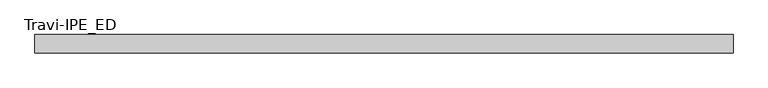
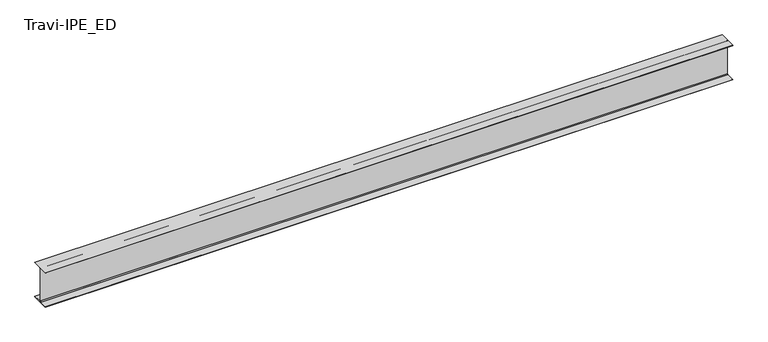
"""IFC4 building model written with IfcOpenShell, lengths in millimetres: beam geometry, Travi-IPE_ED."""

import ifcopenshell
import ifcopenshell.guid

model = None  # the IFC model being written
_history = None  # IfcOwnerHistory: only IFC2X3 demands one
_inside = {}  # id of a spatial element -> (the spatial element, [elements in it])
_under = {}  # id of a project, library or spatial element -> (it, [spatial elements below it])
_declared = {}  # id of a project -> (the project, [libraries it declares])
_typed = {}  # id of a type object -> (the type object, [elements of that type])
_made_of = {}  # id of a material, layer set ... -> (it, [elements and type objects made of it])


def new_model(schema):
    """Start an empty IFC model of exactly this schema.

    Asked for "IFC4X3", IfcOpenShell would pick the latest addendum, in which some entities
    have other attributes; the version numbers below select the first issue.
    IFC2X3 requires an IfcOwnerHistory on every rooted entity: one is made here for all.
    """
    global model, _history
    if schema == "IFC4X3":
        model = ifcopenshell.file(schema_version=(4, 3, 0, 0))
    else:
        model = ifcopenshell.file(schema=schema)
    _inside.clear()
    _under.clear()
    _declared.clear()
    _typed.clear()
    _made_of.clear()
    _history = None
    if model.schema == "IFC2X3":
        org = make("IfcOrganization", Name="unknown")
        user = make(
            "IfcPersonAndOrganization",
            ThePerson=make("IfcPerson", FamilyName="unknown"),
            TheOrganization=org,
        )
        app = make(
            "IfcApplication",
            ApplicationDeveloper=org,
            Version="unknown",
            ApplicationFullName="unknown",
            ApplicationIdentifier="unknown",
        )
        _history = make(
            "IfcOwnerHistory",
            OwningUser=user,
            OwningApplication=app,
            ChangeAction="ADDED",
            CreationDate=0,
        )
    return model


def make(cls, **values):
    """One entity of the class cls with the attributes given. An attribute that is None is left unset."""
    return model.create_entity(
        cls, **{name: value for name, value in values.items() if value is not None}
    )


def rooted(cls, **values):
    """An entity with a GlobalId (a new one), such as an element, a storey or a relation."""
    return make(cls, GlobalId=ifcopenshell.guid.new(), OwnerHistory=_history, **values)


def si_unit(unit_type, name, prefix=None):
    """IfcSIUnit, for example si_unit("LENGTHUNIT", "METRE", prefix="MILLI")."""
    return make("IfcSIUnit", UnitType=unit_type, Prefix=prefix, Name=name)


def assignment(units):
    """IfcUnitAssignment: the units of a project."""
    return None if units is None else make("IfcUnitAssignment", Units=units)


def point(xyz):
    """IfcCartesianPoint."""
    return None if xyz is None else make("IfcCartesianPoint", Coordinates=xyz)


def direction(xyz):
    """IfcDirection."""
    return None if xyz is None else make("IfcDirection", DirectionRatios=xyz)


def frame(location, z_axis=None, x_axis=None):
    """IfcAxis2Placement3D, a coordinate frame: its origin and axes. An axis left out is left unset."""
    return make(
        "IfcAxis2Placement3D",
        Location=point(location),
        Axis=direction(z_axis),
        RefDirection=direction(x_axis),
    )


def frame_2d(location, x_axis=None):
    """IfcAxis2Placement2D, a coordinate frame in the plane: its origin and x axis."""
    return make(
        "IfcAxis2Placement2D", Location=point(location), RefDirection=direction(x_axis)
    )


def origin():
    """The frame at (0, 0, 0) with its axes left unset."""
    return frame((0.0, 0.0, 0.0))


def place(relative_to, where):
    """IfcLocalPlacement: puts the frame where relative to a parent placement (None: the world)."""
    return make(
        "IfcLocalPlacement", PlacementRelTo=relative_to, RelativePlacement=where
    )


def context(
    kind, dimensions, precision=None, world=None, true_north=None, identifier=None
):
    """IfcGeometricRepresentationContext, for example the 3D "Model" context."""
    return make(
        "IfcGeometricRepresentationContext",
        ContextIdentifier=identifier,
        ContextType=kind,
        CoordinateSpaceDimension=dimensions,
        Precision=precision,
        WorldCoordinateSystem=world,
        TrueNorth=true_north,
    )


def project(units=None, contexts=None):
    """IfcProject with its units and contexts."""
    return rooted(
        "IfcProject",
        Name="project",
        RepresentationContexts=contexts,
        UnitsInContext=assignment(units),
    )


def spatial(cls, under=None, at=None, **own):
    """A site, building, storey or space (cls), placed at a placement, below another one or the project."""
    s = rooted(cls, ObjectPlacement=at, **own)
    if under is not None:
        _under.setdefault(under.id(), (under, []))[1].append(s)
    return s


def polyline(points):
    """IfcPolyline through the points."""
    return make("IfcPolyline", Points=[point(p) for p in points])


def circle_curve(where, radius):
    """IfcCircle in the frame where."""
    return make("IfcCircle", Position=where, Radius=radius)


def trimmed(basis, trim1, trim2, sense, master):
    """IfcTrimmedCurve: the piece of a basis curve between two trims."""
    return make(
        "IfcTrimmedCurve",
        BasisCurve=basis,
        Trim1=trim1,
        Trim2=trim2,
        SenseAgreement=sense,
        MasterRepresentation=master,
    )


def segment(curve, same_sense, transition):
    """IfcCompositeCurveSegment."""
    return make(
        "IfcCompositeCurveSegment",
        Transition=transition,
        SameSense=same_sense,
        ParentCurve=curve,
    )


def composite_curve(segments, self_intersect=None):
    """IfcCompositeCurve: segments joined end to end."""
    return make("IfcCompositeCurve", Segments=segments, SelfIntersect=self_intersect)


def outline(outer, holes=None, kind="AREA"):
    """IfcArbitraryClosedProfileDef: a profile drawn as a closed curve; with holes, ...WithVoids."""
    if holes is None:
        return make("IfcArbitraryClosedProfileDef", ProfileType=kind, OuterCurve=outer)
    return make(
        "IfcArbitraryProfileDefWithVoids",
        ProfileType=kind,
        OuterCurve=outer,
        InnerCurves=holes,
    )


def extrude(swept, where, along, depth):
    """IfcExtrudedAreaSolid: the profile swept, set in the frame where, extruded along a direction by depth."""
    return make(
        "IfcExtrudedAreaSolid",
        SweptArea=swept,
        Position=where,
        ExtrudedDirection=direction(along),
        Depth=depth,
    )


def shape(context_of_items, identifier, shape_type, items):
    """IfcShapeRepresentation: the items that make up one representation, for example the "Body"."""
    return make(
        "IfcShapeRepresentation",
        ContextOfItems=context_of_items,
        RepresentationIdentifier=identifier,
        RepresentationType=shape_type,
        Items=items,
    )


def source(mapping_origin, context_of_items, identifier, shape_type, items):
    """IfcRepresentationMap: a shape defined once, which mapped items show again and again."""
    return make(
        "IfcRepresentationMap",
        MappingOrigin=mapping_origin,
        MappedRepresentation=shape(context_of_items, identifier, shape_type, items),
    )


def transform(
    local_origin,
    x_axis=None,
    y_axis=None,
    z_axis=None,
    scale=None,
    scale2=None,
    scale3=None,
    uniform=True,
):
    """IfcCartesianTransformationOperator3D, or its non-uniform kind. x_axis, y_axis, z_axis: its Axis1, 2, 3."""
    if uniform:
        return make(
            "IfcCartesianTransformationOperator3D",
            Axis1=direction(x_axis),
            Axis2=direction(y_axis),
            LocalOrigin=point(local_origin),
            Scale=scale,
            Axis3=direction(z_axis),
        )
    return make(
        "IfcCartesianTransformationOperator3DnonUniform",
        Axis1=direction(x_axis),
        Axis2=direction(y_axis),
        LocalOrigin=point(local_origin),
        Scale=scale,
        Axis3=direction(z_axis),
        Scale2=scale2,
        Scale3=scale3,
    )


def mapped(mapping_source, mapping_target):
    """IfcMappedItem: shows the shape of a source again, moved by a transform."""
    return make(
        "IfcMappedItem", MappingSource=mapping_source, MappingTarget=mapping_target
    )


def made_of(thing, what):
    """Note that an element or type object is made of a material, layer set ...; save() writes the relation."""
    if what is not None:
        _made_of.setdefault(what.id(), (what, []))[1].append(thing)
    return thing


def element(
    cls,
    number,
    at=None,
    inside=None,
    cuts=None,
    type_object=None,
    material=None,
    context=None,
    identifier="Body",
    shape_type=None,
    held_by="IfcProductDefinitionShape",
    body=None,
    shapes=None,
    **own,
):
    """One element of the class cls, such as IfcWall. Its Tag is "e" and its number.

    at: its placement. inside: the storey or other place that contains it. cuts: it is an
    opening in that element (IfcRelVoidsElement). A single representation is given by context,
    identifier, shape_type and body (its items); several are given by shapes. held_by: the class
    of the entity that holds the representations. save() writes the other relations.
    """
    e = rooted(cls, Tag="e%d" % number, ObjectPlacement=at, **own)
    if body is not None:
        shapes = [shape(context, identifier, shape_type, body)]
    if shapes is not None:
        e.Representation = make(held_by, Representations=shapes)
    if inside is not None:
        _inside.setdefault(inside.id(), (inside, []))[1].append(e)
    if cuts is not None:
        rooted(
            "IfcRelVoidsElement", RelatingBuildingElement=cuts, RelatedOpeningElement=e
        )
    if type_object is not None:
        _typed.setdefault(type_object.id(), (type_object, []))[1].append(e)
    return made_of(e, material)


def aggregate(whole, parts):
    """IfcRelAggregates: a whole, such as a stair, and the parts it consists of."""
    return rooted("IfcRelAggregates", RelatingObject=whole, RelatedObjects=parts)


def save(model, path):
    """Write the relations noted so far, then the file.

    IfcRelAggregates (storeys below a building ...), IfcRelContainedInSpatialStructure (elements
    in a storey), IfcRelDefinesByType, IfcRelAssociatesMaterial and IfcRelDeclares: one each for
    every whole, place, type object, material and project.
    """
    for whole, parts in _under.values():
        aggregate(whole, parts)
    for where, things in _inside.values():
        rooted(
            "IfcRelContainedInSpatialStructure",
            RelatedElements=things,
            RelatingStructure=where,
        )
    for kind, things in _typed.values():
        rooted("IfcRelDefinesByType", RelatedObjects=things, RelatingType=kind)
    for what, things in _made_of.values():
        rooted("IfcRelAssociatesMaterial", RelatedObjects=things, RelatingMaterial=what)
    for by, libraries in _declared.values():
        rooted("IfcRelDeclares", RelatingContext=by, RelatedDefinitions=libraries)
    model.write(path)


def travi_ipe_ed_28d0e4d3(model_context):
    return source(origin(), model_context, "Body", "SweptSolid", [
        extrude(outline(composite_curve([segment(polyline([(75.0, -147.0), (75.0, -150.0), (-75.0, -150.0), (-75.0, -147.0), (-8.5, -147.0)]), True, "CONTINUOUS"), segment(trimmed(circle_curve(frame_2d((-8.5, -140.0)), 7.0), [point((-8.5, -147.0))], [point((-1.5, -140.0))], True, "CARTESIAN"), True, "CONTINUOUS"), segment(polyline([(-1.5, -140.0), (-1.5, 140.0)]), True, "CONTINUOUS"), segment(trimmed(circle_curve(frame_2d((-8.5, 140.0)), 7.0), [point((-1.5, 140.0))], [point((-8.5, 147.0))], True, "CARTESIAN"), True, "CONTINUOUS"), segment(polyline([(-8.5, 147.0), (-75.0, 147.0), (-75.0, 150.0), (75.0, 150.0), (75.0, 147.0), (8.5, 147.0)]), True, "CONTINUOUS"), segment(trimmed(circle_curve(frame_2d((8.5, 140.0)), 7.0), [point((8.5, 147.0))], [point((1.5, 140.0))], True, "CARTESIAN"), True, "CONTINUOUS"), segment(polyline([(1.5, 140.0), (1.5, -140.0)]), True, "CONTINUOUS"), segment(trimmed(circle_curve(frame_2d((8.5, -140.0)), 7.0), [point((1.5, -140.0))], [point((8.5, -147.0))], True, "CARTESIAN"), True, "CONTINUOUS"), segment(polyline([(8.5, -147.0), (75.0, -147.0)]), True, "CONTINUOUS")], self_intersect=False)), frame((-2724.5431386, 0.0, 0.0), z_axis=(1.0, 0.0, 0.0), x_axis=(0.0, 1.0, 0.0)), (0.0, 0.0, 1.0), 5655.9271065),
    ])


if __name__ == "__main__":
    model = new_model("IFC4")
    model_context = context("Model", 3, world=origin())
    ifc_project = project(units=[si_unit("LENGTHUNIT", "METRE", prefix="MILLI")], contexts=[model_context])
    site = spatial("IfcSite", under=ifc_project)
    building = spatial("IfcBuilding", under=site)
    placement = place(None, origin())
    travi_ipe_ed_shape = travi_ipe_ed_28d0e4d3(model_context)
    element("IfcBeam", 1, ObjectType="Travi-IPE_ED", at=placement, inside=building, context=model_context, shape_type="MappedRepresentation", body=[
        mapped(travi_ipe_ed_shape, transform((0.0, 0.0, 0.0), x_axis=(1.0, 0.0, 0.0), y_axis=(0.0, 1.0, 0.0), z_axis=(0.0, 0.0, 1.0))),
    ])
    save(model, "model.ifc")
